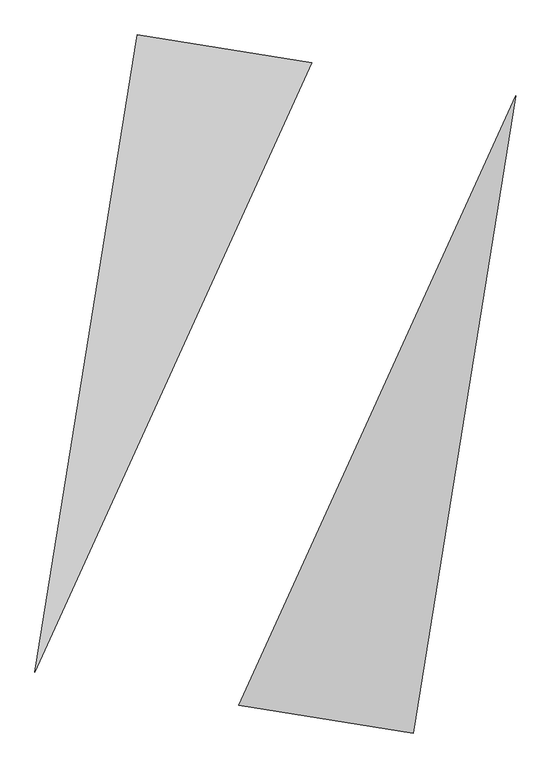
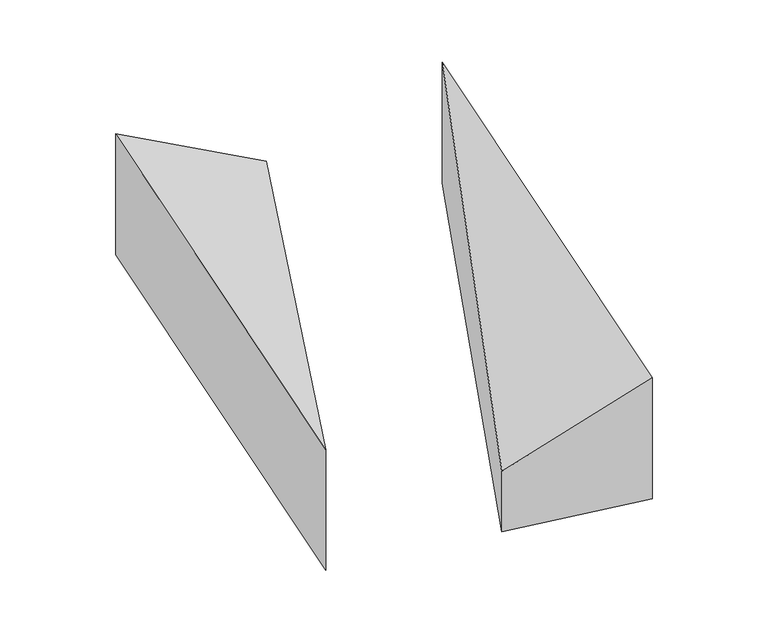
"""IFC4 building model written with IfcOpenShell, lengths in millimetres: proxy geometry."""

from ifc_helpers import new_model, si_unit, origin, place, context, project, spatial, faceted_brep, source, transform, mapped, element, save


def generic_models_212ddd4c(model_context):
    return source(origin(), model_context, "Body", "Brep", [
        faceted_brep([(224.6898208, 1989.5133747, 0.0), (-856.0170022, 2162.7277087, 0.0), (-856.0170022, 2162.7277087, 1000.0), (224.6898208, 1989.5133747, 500.0), (-1489.0524341, -1786.862921, 0.0), (-1489.0524341, -1786.862921, 1000.0)], [[[0, 1, 2, 3]], [[1, 4, 5, 2]], [[4, 0, 3, 5]], [[3, 2, 5]], [[0, 4, 1]]]),
        faceted_brep([(856.0170022, -2162.7277087, 0.0), (1489.0524341, 1786.862921, 0.0), (1489.0524341, 1786.862921, 1000.0), (856.0170022, -2162.7277087, 1000.0), (-224.6898208, -1989.5133747, 0.0), (-224.6898208, -1989.5133747, 500.0)], [[[0, 1, 2, 3]], [[1, 4, 5, 2]], [[4, 0, 3, 5]], [[2, 5, 3]], [[0, 4, 1]]]),
    ])


if __name__ == "__main__":
    model = new_model("IFC4")
    model_context = context("Model", 3, world=origin())
    ifc_project = project(units=[si_unit("LENGTHUNIT", "METRE", prefix="MILLI")], contexts=[model_context])
    site = spatial("IfcSite", under=ifc_project)
    building = spatial("IfcBuilding", under=site)
    placement = place(None, origin())
    generic_models_shape = generic_models_212ddd4c(model_context)
    element("IfcBuildingElementProxy", 1, Name="Generic Models", at=placement, inside=building, context=model_context, shape_type="MappedRepresentation", body=[
        mapped(generic_models_shape, transform((0.0, 0.0, 0.0), x_axis=(1.0, 0.0, 0.0), y_axis=(0.0, 1.0, 0.0), z_axis=(0.0, 0.0, 1.0))),
    ])
    save(model, "model.ifc")
